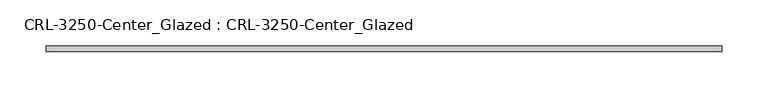
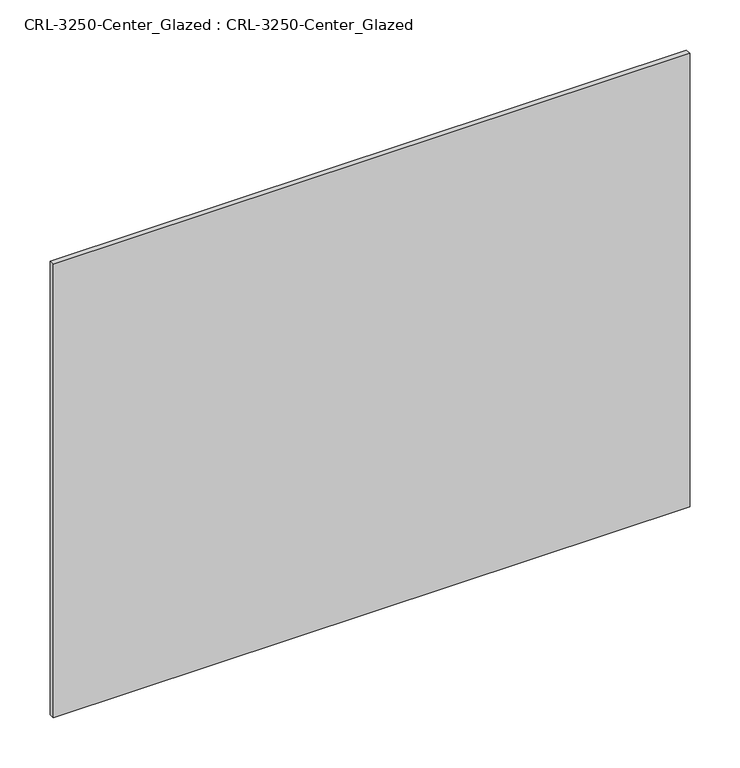
"""IFC4 building model written with IfcOpenShell, lengths in millimetres: plate geometry, CRL-3250-Center_Glazed : CRL-3250-Center_Glazed."""

import ifcopenshell
import ifcopenshell.guid

model = None  # the IFC model being written
_history = None  # IfcOwnerHistory: only IFC2X3 demands one
_inside = {}  # id of a spatial element -> (the spatial element, [elements in it])
_under = {}  # id of a project, library or spatial element -> (it, [spatial elements below it])
_declared = {}  # id of a project -> (the project, [libraries it declares])
_typed = {}  # id of a type object -> (the type object, [elements of that type])
_made_of = {}  # id of a material, layer set ... -> (it, [elements and type objects made of it])


def new_model(schema):
    """Start an empty IFC model of exactly this schema.

    Asked for "IFC4X3", IfcOpenShell would pick the latest addendum, in which some entities
    have other attributes; the version numbers below select the first issue.
    IFC2X3 requires an IfcOwnerHistory on every rooted entity: one is made here for all.
    """
    global model, _history
    if schema == "IFC4X3":
        model = ifcopenshell.file(schema_version=(4, 3, 0, 0))
    else:
        model = ifcopenshell.file(schema=schema)
    _inside.clear()
    _under.clear()
    _declared.clear()
    _typed.clear()
    _made_of.clear()
    _history = None
    if model.schema == "IFC2X3":
        org = make("IfcOrganization", Name="unknown")
        user = make(
            "IfcPersonAndOrganization",
            ThePerson=make("IfcPerson", FamilyName="unknown"),
            TheOrganization=org,
        )
        app = make(
            "IfcApplication",
            ApplicationDeveloper=org,
            Version="unknown",
            ApplicationFullName="unknown",
            ApplicationIdentifier="unknown",
        )
        _history = make(
            "IfcOwnerHistory",
            OwningUser=user,
            OwningApplication=app,
            ChangeAction="ADDED",
            CreationDate=0,
        )
    return model


def make(cls, **values):
    """One entity of the class cls with the attributes given. An attribute that is None is left unset."""
    return model.create_entity(
        cls, **{name: value for name, value in values.items() if value is not None}
    )


def rooted(cls, **values):
    """An entity with a GlobalId (a new one), such as an element, a storey or a relation."""
    return make(cls, GlobalId=ifcopenshell.guid.new(), OwnerHistory=_history, **values)


def si_unit(unit_type, name, prefix=None):
    """IfcSIUnit, for example si_unit("LENGTHUNIT", "METRE", prefix="MILLI")."""
    return make("IfcSIUnit", UnitType=unit_type, Prefix=prefix, Name=name)


def assignment(units):
    """IfcUnitAssignment: the units of a project."""
    return None if units is None else make("IfcUnitAssignment", Units=units)


def point(xyz):
    """IfcCartesianPoint."""
    return None if xyz is None else make("IfcCartesianPoint", Coordinates=xyz)


def direction(xyz):
    """IfcDirection."""
    return None if xyz is None else make("IfcDirection", DirectionRatios=xyz)


def frame(location, z_axis=None, x_axis=None):
    """IfcAxis2Placement3D, a coordinate frame: its origin and axes. An axis left out is left unset."""
    return make(
        "IfcAxis2Placement3D",
        Location=point(location),
        Axis=direction(z_axis),
        RefDirection=direction(x_axis),
    )


def origin():
    """The frame at (0, 0, 0) with its axes left unset."""
    return frame((0.0, 0.0, 0.0))


def origin_with_axes():
    """The frame at (0, 0, 0) with the z axis (0, 0, 1) and the x axis (1, 0, 0) written out."""
    return frame((0.0, 0.0, 0.0), z_axis=(0.0, 0.0, 1.0), x_axis=(1.0, 0.0, 0.0))


def place(relative_to, where):
    """IfcLocalPlacement: puts the frame where relative to a parent placement (None: the world)."""
    return make(
        "IfcLocalPlacement", PlacementRelTo=relative_to, RelativePlacement=where
    )


def context(
    kind, dimensions, precision=None, world=None, true_north=None, identifier=None
):
    """IfcGeometricRepresentationContext, for example the 3D "Model" context."""
    return make(
        "IfcGeometricRepresentationContext",
        ContextIdentifier=identifier,
        ContextType=kind,
        CoordinateSpaceDimension=dimensions,
        Precision=precision,
        WorldCoordinateSystem=world,
        TrueNorth=true_north,
    )


def project(units=None, contexts=None):
    """IfcProject with its units and contexts."""
    return rooted(
        "IfcProject",
        Name="project",
        RepresentationContexts=contexts,
        UnitsInContext=assignment(units),
    )


def spatial(cls, under=None, at=None, **own):
    """A site, building, storey or space (cls), placed at a placement, below another one or the project."""
    s = rooted(cls, ObjectPlacement=at, **own)
    if under is not None:
        _under.setdefault(under.id(), (under, []))[1].append(s)
    return s


def polyline(points):
    """IfcPolyline through the points."""
    return make("IfcPolyline", Points=[point(p) for p in points])


def outline(outer, holes=None, kind="AREA"):
    """IfcArbitraryClosedProfileDef: a profile drawn as a closed curve; with holes, ...WithVoids."""
    if holes is None:
        return make("IfcArbitraryClosedProfileDef", ProfileType=kind, OuterCurve=outer)
    return make(
        "IfcArbitraryProfileDefWithVoids",
        ProfileType=kind,
        OuterCurve=outer,
        InnerCurves=holes,
    )


def extrude(swept, where, along, depth):
    """IfcExtrudedAreaSolid: the profile swept, set in the frame where, extruded along a direction by depth."""
    return make(
        "IfcExtrudedAreaSolid",
        SweptArea=swept,
        Position=where,
        ExtrudedDirection=direction(along),
        Depth=depth,
    )


def shape(context_of_items, identifier, shape_type, items):
    """IfcShapeRepresentation: the items that make up one representation, for example the "Body"."""
    return make(
        "IfcShapeRepresentation",
        ContextOfItems=context_of_items,
        RepresentationIdentifier=identifier,
        RepresentationType=shape_type,
        Items=items,
    )


def source(mapping_origin, context_of_items, identifier, shape_type, items):
    """IfcRepresentationMap: a shape defined once, which mapped items show again and again."""
    return make(
        "IfcRepresentationMap",
        MappingOrigin=mapping_origin,
        MappedRepresentation=shape(context_of_items, identifier, shape_type, items),
    )


def transform(
    local_origin,
    x_axis=None,
    y_axis=None,
    z_axis=None,
    scale=None,
    scale2=None,
    scale3=None,
    uniform=True,
):
    """IfcCartesianTransformationOperator3D, or its non-uniform kind. x_axis, y_axis, z_axis: its Axis1, 2, 3."""
    if uniform:
        return make(
            "IfcCartesianTransformationOperator3D",
            Axis1=direction(x_axis),
            Axis2=direction(y_axis),
            LocalOrigin=point(local_origin),
            Scale=scale,
            Axis3=direction(z_axis),
        )
    return make(
        "IfcCartesianTransformationOperator3DnonUniform",
        Axis1=direction(x_axis),
        Axis2=direction(y_axis),
        LocalOrigin=point(local_origin),
        Scale=scale,
        Axis3=direction(z_axis),
        Scale2=scale2,
        Scale3=scale3,
    )


def mapped(mapping_source, mapping_target):
    """IfcMappedItem: shows the shape of a source again, moved by a transform."""
    return make(
        "IfcMappedItem", MappingSource=mapping_source, MappingTarget=mapping_target
    )


def made_of(thing, what):
    """Note that an element or type object is made of a material, layer set ...; save() writes the relation."""
    if what is not None:
        _made_of.setdefault(what.id(), (what, []))[1].append(thing)
    return thing


def element(
    cls,
    number,
    at=None,
    inside=None,
    cuts=None,
    type_object=None,
    material=None,
    context=None,
    identifier="Body",
    shape_type=None,
    held_by="IfcProductDefinitionShape",
    body=None,
    shapes=None,
    **own,
):
    """One element of the class cls, such as IfcWall. Its Tag is "e" and its number.

    at: its placement. inside: the storey or other place that contains it. cuts: it is an
    opening in that element (IfcRelVoidsElement). A single representation is given by context,
    identifier, shape_type and body (its items); several are given by shapes. held_by: the class
    of the entity that holds the representations. save() writes the other relations.
    """
    e = rooted(cls, Tag="e%d" % number, ObjectPlacement=at, **own)
    if body is not None:
        shapes = [shape(context, identifier, shape_type, body)]
    if shapes is not None:
        e.Representation = make(held_by, Representations=shapes)
    if inside is not None:
        _inside.setdefault(inside.id(), (inside, []))[1].append(e)
    if cuts is not None:
        rooted(
            "IfcRelVoidsElement", RelatingBuildingElement=cuts, RelatedOpeningElement=e
        )
    if type_object is not None:
        _typed.setdefault(type_object.id(), (type_object, []))[1].append(e)
    return made_of(e, material)


def aggregate(whole, parts):
    """IfcRelAggregates: a whole, such as a stair, and the parts it consists of."""
    return rooted("IfcRelAggregates", RelatingObject=whole, RelatedObjects=parts)


def save(model, path):
    """Write the relations noted so far, then the file.

    IfcRelAggregates (storeys below a building ...), IfcRelContainedInSpatialStructure (elements
    in a storey), IfcRelDefinesByType, IfcRelAssociatesMaterial and IfcRelDeclares: one each for
    every whole, place, type object, material and project.
    """
    for whole, parts in _under.values():
        aggregate(whole, parts)
    for where, things in _inside.values():
        rooted(
            "IfcRelContainedInSpatialStructure",
            RelatedElements=things,
            RelatingStructure=where,
        )
    for kind, things in _typed.values():
        rooted("IfcRelDefinesByType", RelatedObjects=things, RelatingType=kind)
    for what, things in _made_of.values():
        rooted("IfcRelAssociatesMaterial", RelatedObjects=things, RelatingMaterial=what)
    for by, libraries in _declared.values():
        rooted("IfcRelDeclares", RelatingContext=by, RelatedDefinitions=libraries)
    model.write(path)


def crl_3250_center_glazed_crl_3250_center_glazed_a01b277b(model_context):
    return source(origin(), model_context, "Body", "SweptSolid", [
        extrude(outline(polyline([(366.7130886, 3.1749999), (366.7130886, -3.1749999), (-366.7130886, -3.1749999), (-366.7130886, 3.1749999), (366.7130886, 3.1749999)])), origin_with_axes(), (0.0, 0.0, 1.0), 552.4500045),
    ])


if __name__ == "__main__":
    model = new_model("IFC4")
    model_context = context("Model", 3, world=origin())
    ifc_project = project(units=[si_unit("LENGTHUNIT", "METRE", prefix="MILLI")], contexts=[model_context])
    site = spatial("IfcSite", under=ifc_project)
    building = spatial("IfcBuilding", under=site)
    placement = place(None, origin())
    crl_3250_center_glazed_crl_3250_center_glazed_shape = crl_3250_center_glazed_crl_3250_center_glazed_a01b277b(model_context)
    element("IfcPlate", 1, ObjectType="CRL-3250-Center_Glazed : CRL-3250-Center_Glazed", at=placement, inside=building, context=model_context, shape_type="MappedRepresentation", body=[
        mapped(crl_3250_center_glazed_crl_3250_center_glazed_shape, transform((0.0, 0.0, 0.0), x_axis=(1.0, 0.0, 0.0), y_axis=(0.0, 1.0, 0.0), z_axis=(0.0, 0.0, 1.0))),
    ])
    save(model, "model.ifc")
